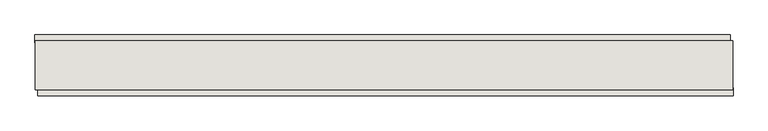
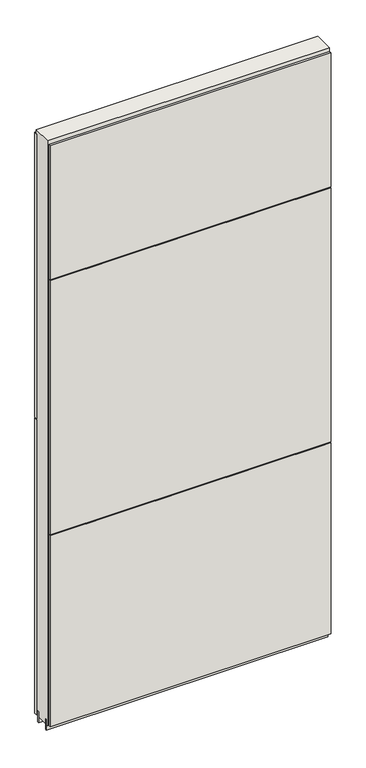
"""IFC4 building model written with IfcOpenShell, lengths in millimetres: wall geometry."""

from ifc_helpers import new_model, si_unit, frame, origin, place, context, project, spatial, polyline, outline, extrude, source, transform, mapped, element, save


def wall_072630bd(model_context):
    return source(origin(), model_context, "Body", "SweptSolid", [
        extrude(outline(polyline([(64667.108918, -52824.7495954), (64664.568918, -52824.7495954), (64664.568918, -52822.2095954), (64667.108918, -52822.2095954), (64667.108918, -52824.7495954)])), frame((0.0, 0.0, 4419.6), z_axis=(0.0, 0.0, 1.0), x_axis=(1.0, 0.0, 0.0)), (0.0, 0.0, 1.0), 2.54),
        extrude(outline(polyline([(63498.2420914, -52772.6795954), (64662.6420994, -52772.6795954), (64662.6420994, -52785.3795954), (63498.2420914, -52785.3795954), (63498.2420914, -52772.6795954)])), frame((0.0, 0.0, 5742.4000722), z_axis=(0.0, 0.0, 1.0), x_axis=(1.0, 0.0, 0.0)), (0.0, 0.0, 1.0), 1247.649905),
        extrude(outline(polyline([(63498.2420914, -52772.6795954), (64662.6420994, -52772.6795954), (64662.6420994, -52785.3795954), (63498.2420914, -52785.3795954), (63498.2420914, -52772.6795954)])), frame((0.0, 0.0, 4445.0), z_axis=(0.0, 0.0, 1.0), x_axis=(1.0, 0.0, 0.0)), (0.0, 0.0, 1.0), 1293.400004),
        extrude(outline(polyline([(64667.5782338, -52874.2795954), (63503.1782258, -52874.2795954), (63503.1782258, -52861.5795954), (64667.5782338, -52861.5795954), (64667.5782338, -52874.2795954)])), frame((0.0, 0.0, 6402.8000722), z_axis=(0.0, 0.0, 1.0), x_axis=(1.0, 0.0, 0.0)), (0.0, 0.0, 1.0), 587.2498034),
        extrude(outline(polyline([(64667.5782338, -52874.2795954), (63503.1782258, -52874.2795954), (63503.1782258, -52861.5795954), (64667.5782338, -52861.5795954), (64667.5782338, -52874.2795954)])), frame((0.0, 0.0, 5285.2000722), z_axis=(0.0, 0.0, 1.0), x_axis=(1.0, 0.0, 0.0)), (0.0, 0.0, 1.0), 1113.5999572),
        extrude(outline(polyline([(64667.5782338, -52874.2795954), (63503.1782258, -52874.2795954), (63503.1782258, -52861.5795954), (64667.5782338, -52861.5795954), (64667.5782338, -52874.2795954)])), frame((0.0, 0.0, 4445.0), z_axis=(0.0, 0.0, 1.0), x_axis=(1.0, 0.0, 0.0)), (0.0, 0.0, 1.0), 836.200004),
        extrude(outline(polyline([(64667.103965, -52798.3958508), (63498.703965, -52798.3958508), (63498.703965, -52793.3170954), (64667.103965, -52793.3170954), (64667.103965, -52798.3958508)])), frame((0.0, 0.0, 4418.6602), z_axis=(0.0, 0.0, 1.0), x_axis=(1.0, 0.0, 0.0)), (0.0, 0.0, 1.0), 47.625),
        extrude(outline(polyline([(64667.103965, -52798.3958508), (63498.703965, -52798.3958508), (63498.703965, -52793.3170954), (64667.103965, -52793.3170954), (64667.103965, -52798.3958508)])), frame((0.0, 0.0, 4418.6602), z_axis=(0.0, 0.0, 1.0), x_axis=(1.0, 0.0, 0.0)), (0.0, 0.0, 1.0), 47.625),
        extrude(outline(polyline([(63498.703965, -52848.56334), (64667.103965, -52848.56334), (64667.103965, -52853.6420954), (63498.703965, -52853.6420954), (63498.703965, -52848.56334)])), frame((0.0, 0.0, 4418.6602), z_axis=(0.0, 0.0, 1.0), x_axis=(1.0, 0.0, 0.0)), (0.0, 0.0, 1.0), 47.625),
        extrude(outline(polyline([(63498.703965, -52848.56334), (64667.103965, -52848.56334), (64667.103965, -52853.6420954), (63498.703965, -52853.6420954), (63498.703965, -52848.56334)])), frame((0.0, 0.0, 4418.6602), z_axis=(0.0, 0.0, 1.0), x_axis=(1.0, 0.0, 0.0)), (0.0, 0.0, 1.0), 47.625),
        extrude(outline(polyline([(64667.103965, -52782.824711), (64667.103965, -52864.1282822), (63498.703965, -52864.1282822), (63498.703965, -52782.824711), (64667.103965, -52782.824711)])), frame((0.0, 0.0, 4445.0), z_axis=(0.0, 0.0, 1.0), x_axis=(1.0, 0.0, 0.0)), (0.0, 0.0, 1.0), 2562.4536762),
    ])


if __name__ == "__main__":
    model = new_model("IFC4")
    model_context = context("Model", 3, world=origin())
    ifc_project = project(units=[si_unit("LENGTHUNIT", "METRE", prefix="MILLI")], contexts=[model_context])
    site = spatial("IfcSite", under=ifc_project)
    building = spatial("IfcBuilding", under=site)
    placement = place(None, origin())
    wall_shape = wall_072630bd(model_context)
    element("IfcWall", 1, at=placement, inside=building, context=model_context, shape_type="MappedRepresentation", body=[
        mapped(wall_shape, transform((0.0, 0.0, 0.0), x_axis=(1.0, 0.0, 0.0), y_axis=(0.0, 1.0, 0.0), z_axis=(0.0, 0.0, 1.0))),
    ])
    save(model, "model.ifc")
